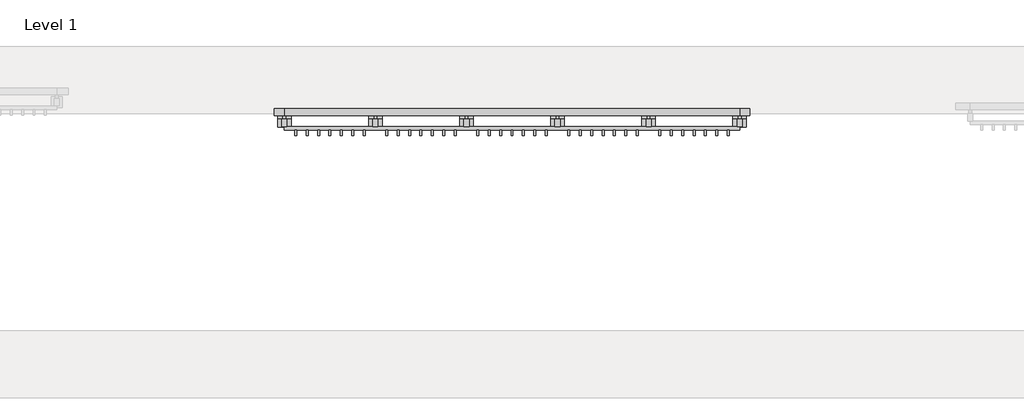
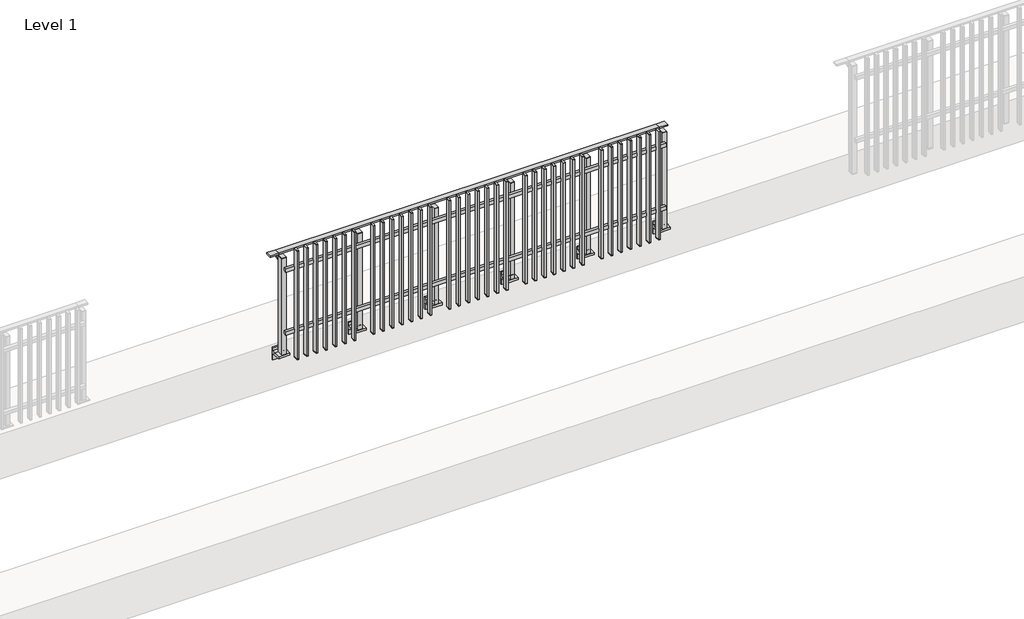
# One storey, part 14 of 17: 1 railing.
"""IFC4 building model written with IfcOpenShell, lengths in millimetres."""

from ifc_helpers import new_model, si_unit, point, frame, frame_2d, origin, place, context, project, spatial, polyline, circle_curve, trimmed, segment, composite_curve, outline, extrude, faceted_brep, element, save

model = new_model("IFC4")

# Units and contexts
model_context = context("Model", 3, world=origin())
ifc_project = project(units=[si_unit("LENGTHUNIT", "METRE", prefix="MILLI")], contexts=[model_context])

# Site, building, storey
site = spatial("IfcSite", under=ifc_project)
building = spatial("IfcBuilding", under=site)
storey = spatial("IfcBuildingStorey", under=building, Name="Level 1", Elevation=0.0)

# Railing
placement = place(None, origin())
element("IfcRailing", 1, at=placement, inside=storey, context=model_context, shape_type="SolidModel", body=[
    faceted_brep([(11910.0, 7442.6846828, 1000.0), (11910.0, 7442.6846828, 985.0), (11910.0, 7382.6846828, 985.0), (11910.0, 7382.6846828, 1000.0), (12000.0, 7442.6846828, 1000.0), (12000.0, 7442.6846828, 985.0), (12000.0, 7382.6846828, 985.0), (12000.0, 7382.6846828, 1000.0), (16000.0, 7442.6846828, 1000.0), (16000.0, 7442.6846828, 985.0), (16000.0, 7382.6846828, 985.0), (16000.0, 7382.6846828, 1000.0), (16090.0, 7442.6846828, 1000.0), (16090.0, 7382.6846828, 1000.0), (16090.0, 7382.6846828, 985.0), (16090.0, 7442.6846828, 985.0)], [[[0, 1, 2, 3]], [[1, 0, 4, 5]], [[2, 1, 5, 6]], [[3, 2, 6, 7]], [[0, 3, 7, 4]], [[5, 4, 8, 9]], [[6, 5, 9, 10]], [[7, 6, 10, 11]], [[4, 7, 11, 8]], [[12, 13, 14, 15]], [[9, 8, 12, 15]], [[10, 9, 15, 14]], [[11, 10, 14, 13]], [[8, 11, 13, 12]]]),
    extrude(outline(polyline([(12000.0, 7253.1846828), (12000.0, 7285.1846828), (16000.0, 7285.1846828), (16000.0, 7253.1846828), (12000.0, 7253.1846828)])), frame((0.0, 0.0, 164.0), z_axis=(0.0, 0.0, 1.0), x_axis=(1.0, 0.0, 0.0)), (0.0, 0.0, 1.0), 36.0),
    extrude(outline(polyline([(12000.0, 7253.1846828), (12000.0, 7285.1846828), (16000.0, 7285.1846828), (16000.0, 7253.1846828), (12000.0, 7253.1846828)])), frame((0.0, 0.0, 864.0), z_axis=(0.0, 0.0, 1.0), x_axis=(1.0, 0.0, 0.0)), (0.0, 0.0, 1.0), 36.0),
    extrude(outline(polyline([(15908.5, 7253.1846828), (15908.5, 7204.1846828), (15891.5, 7204.1846828), (15891.5, 7253.1846828), (15908.5, 7253.1846828)])), frame((0.0, 0.0, -110.0), z_axis=(0.0, 0.0, 1.0), x_axis=(1.0, 0.0, 0.0)), (0.0, 0.0, 1.0), 5.0),
    extrude(outline(polyline([(15908.5, 7253.1846828), (15908.5, 7204.1846828), (15891.5, 7204.1846828), (15891.5, 7253.1846828), (15908.5, 7253.1846828)])), frame((0.0, 0.0, 1095.0), z_axis=(0.0, 0.0, 1.0), x_axis=(1.0, 0.0, 0.0)), (0.0, 0.0, 1.0), 5.0),
    extrude(outline(polyline([(15891.5, 7204.1846828), (15891.5, 7253.1846828), (15908.5, 7253.1846828), (15908.5, 7204.1846828), (15891.5, 7204.1846828)])), frame((0.0, 0.0, -105.0), z_axis=(0.0, 0.0, 1.0), x_axis=(1.0, 0.0, 0.0)), (0.0, 0.0, 1.0), 1200.0),
    extrude(outline(polyline([(15808.5, 7253.1846828), (15808.5, 7204.1846828), (15791.5, 7204.1846828), (15791.5, 7253.1846828), (15808.5, 7253.1846828)])), frame((0.0, 0.0, -110.0), z_axis=(0.0, 0.0, 1.0), x_axis=(1.0, 0.0, 0.0)), (0.0, 0.0, 1.0), 5.0),
    extrude(outline(polyline([(15808.5, 7253.1846828), (15808.5, 7204.1846828), (15791.5, 7204.1846828), (15791.5, 7253.1846828), (15808.5, 7253.1846828)])), frame((0.0, 0.0, 1095.0), z_axis=(0.0, 0.0, 1.0), x_axis=(1.0, 0.0, 0.0)), (0.0, 0.0, 1.0), 5.0),
    extrude(outline(polyline([(15791.5, 7204.1846828), (15791.5, 7253.1846828), (15808.5, 7253.1846828), (15808.5, 7204.1846828), (15791.5, 7204.1846828)])), frame((0.0, 0.0, -105.0), z_axis=(0.0, 0.0, 1.0), x_axis=(1.0, 0.0, 0.0)), (0.0, 0.0, 1.0), 1200.0),
    extrude(outline(polyline([(15708.5, 7253.1846828), (15708.5, 7204.1846828), (15691.5, 7204.1846828), (15691.5, 7253.1846828), (15708.5, 7253.1846828)])), frame((0.0, 0.0, -110.0), z_axis=(0.0, 0.0, 1.0), x_axis=(1.0, 0.0, 0.0)), (0.0, 0.0, 1.0), 5.0),
    extrude(outline(polyline([(15708.5, 7253.1846828), (15708.5, 7204.1846828), (15691.5, 7204.1846828), (15691.5, 7253.1846828), (15708.5, 7253.1846828)])), frame((0.0, 0.0, 1095.0), z_axis=(0.0, 0.0, 1.0), x_axis=(1.0, 0.0, 0.0)), (0.0, 0.0, 1.0), 5.0),
    extrude(outline(polyline([(15691.5, 7204.1846828), (15691.5, 7253.1846828), (15708.5, 7253.1846828), (15708.5, 7204.1846828), (15691.5, 7204.1846828)])), frame((0.0, 0.0, -105.0), z_axis=(0.0, 0.0, 1.0), x_axis=(1.0, 0.0, 0.0)), (0.0, 0.0, 1.0), 1200.0),
    extrude(outline(polyline([(15608.5, 7253.1846828), (15608.5, 7204.1846828), (15591.5, 7204.1846828), (15591.5, 7253.1846828), (15608.5, 7253.1846828)])), frame((0.0, 0.0, -110.0), z_axis=(0.0, 0.0, 1.0), x_axis=(1.0, 0.0, 0.0)), (0.0, 0.0, 1.0), 5.0),
    extrude(outline(polyline([(15608.5, 7253.1846828), (15608.5, 7204.1846828), (15591.5, 7204.1846828), (15591.5, 7253.1846828), (15608.5, 7253.1846828)])), frame((0.0, 0.0, 1095.0), z_axis=(0.0, 0.0, 1.0), x_axis=(1.0, 0.0, 0.0)), (0.0, 0.0, 1.0), 5.0),
    extrude(outline(polyline([(15591.5, 7204.1846828), (15591.5, 7253.1846828), (15608.5, 7253.1846828), (15608.5, 7204.1846828), (15591.5, 7204.1846828)])), frame((0.0, 0.0, -105.0), z_axis=(0.0, 0.0, 1.0), x_axis=(1.0, 0.0, 0.0)), (0.0, 0.0, 1.0), 1200.0),
    extrude(outline(polyline([(15508.5, 7253.1846828), (15508.5, 7204.1846828), (15491.5, 7204.1846828), (15491.5, 7253.1846828), (15508.5, 7253.1846828)])), frame((0.0, 0.0, -110.0), z_axis=(0.0, 0.0, 1.0), x_axis=(1.0, 0.0, 0.0)), (0.0, 0.0, 1.0), 5.0),
    extrude(outline(polyline([(15508.5, 7253.1846828), (15508.5, 7204.1846828), (15491.5, 7204.1846828), (15491.5, 7253.1846828), (15508.5, 7253.1846828)])), frame((0.0, 0.0, 1095.0), z_axis=(0.0, 0.0, 1.0), x_axis=(1.0, 0.0, 0.0)), (0.0, 0.0, 1.0), 5.0),
    extrude(outline(polyline([(15491.5, 7204.1846828), (15491.5, 7253.1846828), (15508.5, 7253.1846828), (15508.5, 7204.1846828), (15491.5, 7204.1846828)])), frame((0.0, 0.0, -105.0), z_axis=(0.0, 0.0, 1.0), x_axis=(1.0, 0.0, 0.0)), (0.0, 0.0, 1.0), 1200.0),
    extrude(outline(polyline([(15408.5, 7253.1846828), (15408.5, 7204.1846828), (15391.5, 7204.1846828), (15391.5, 7253.1846828), (15408.5, 7253.1846828)])), frame((0.0, 0.0, -110.0), z_axis=(0.0, 0.0, 1.0), x_axis=(1.0, 0.0, 0.0)), (0.0, 0.0, 1.0), 5.0),
    extrude(outline(polyline([(15408.5, 7253.1846828), (15408.5, 7204.1846828), (15391.5, 7204.1846828), (15391.5, 7253.1846828), (15408.5, 7253.1846828)])), frame((0.0, 0.0, 1095.0), z_axis=(0.0, 0.0, 1.0), x_axis=(1.0, 0.0, 0.0)), (0.0, 0.0, 1.0), 5.0),
    extrude(outline(polyline([(15391.5, 7204.1846828), (15391.5, 7253.1846828), (15408.5, 7253.1846828), (15408.5, 7204.1846828), (15391.5, 7204.1846828)])), frame((0.0, 0.0, -105.0), z_axis=(0.0, 0.0, 1.0), x_axis=(1.0, 0.0, 0.0)), (0.0, 0.0, 1.0), 1200.0),
    extrude(outline(polyline([(15308.5, 7253.1846828), (15308.5, 7204.1846828), (15291.5, 7204.1846828), (15291.5, 7253.1846828), (15308.5, 7253.1846828)])), frame((0.0, 0.0, -110.0), z_axis=(0.0, 0.0, 1.0), x_axis=(1.0, 0.0, 0.0)), (0.0, 0.0, 1.0), 5.0),
    extrude(outline(polyline([(15308.5, 7253.1846828), (15308.5, 7204.1846828), (15291.5, 7204.1846828), (15291.5, 7253.1846828), (15308.5, 7253.1846828)])), frame((0.0, 0.0, 1095.0), z_axis=(0.0, 0.0, 1.0), x_axis=(1.0, 0.0, 0.0)), (0.0, 0.0, 1.0), 5.0),
    extrude(outline(polyline([(15291.5, 7204.1846828), (15291.5, 7253.1846828), (15308.5, 7253.1846828), (15308.5, 7204.1846828), (15291.5, 7204.1846828)])), frame((0.0, 0.0, -105.0), z_axis=(0.0, 0.0, 1.0), x_axis=(1.0, 0.0, 0.0)), (0.0, 0.0, 1.0), 1200.0),
    extrude(outline(composite_curve([segment(polyline([(7438.1846828, 985.0), (7438.1846828, 960.900037)]), True, "CONTINUOUS"), segment(trimmed(circle_curve(frame_2d((7428.1846828, 960.900037)), 10.0), [point((7438.1846828, 960.900037))], [point((7430.7728733, 951.2407787))], False, "CARTESIAN"), True, "CONTINUOUS"), segment(polyline([(7430.7728733, 951.2407787), (7373.7244733, 935.9547061)]), True, "CONTINUOUS"), segment(trimmed(circle_curve(frame_2d((7376.3126638, 926.2954478)), 10.0), [point((7373.7244733, 935.9547061))], [point((7366.3982152, 927.6007097))], True, "CARTESIAN"), True, "CONTINUOUS"), segment(polyline([(7366.3982152, 927.6007097), (7361.791393, 892.6084214)]), True, "CONTINUOUS"), segment(trimmed(circle_curve(frame_2d((7358.8170584, 893.0)), 3.0), [point((7361.791393, 892.6084214))], [point((7358.8170584, 890.0))], False, "CARTESIAN"), True, "CONTINUOUS"), segment(polyline([(7358.8170584, 890.0), (7350.1846828, 890.0), (7350.1846828, 940.0), (7414.1846828, 957.1487483), (7414.1846828, 985.0), (7438.1846828, 985.0)]), True, "CONTINUOUS")], self_intersect=False)), frame((15187.5, 0.0, 0.0), z_axis=(1.0, 0.0, 0.0), x_axis=(0.0, 1.0, 0.0)), (0.0, 0.0, 1.0), 25.0),
    extrude(outline(composite_curve([segment(polyline([(7350.1846828, -70.0), (7384.1846828, -63.0), (7384.1846828, -32.5), (7400.1846828, -32.5), (7400.1846828, -167.5), (7384.1846828, -167.5), (7384.1846828, -113.5)]), True, "CONTINUOUS"), segment(trimmed(circle_curve(frame_2d((7364.1846828, -113.5)), 20.0), [point((7384.1846828, -113.5))], [point((7364.1846828, -93.5))], True, "CARTESIAN"), True, "CONTINUOUS"), segment(polyline([(7364.1846828, -93.5), (7280.1846828, -93.5), (7280.1846828, -70.0), (7350.1846828, -70.0)]), True, "CONTINUOUS")], self_intersect=False)), frame((15140.0, 0.0, 0.0), z_axis=(1.0, 0.0, 0.0), x_axis=(0.0, 1.0, 0.0)), (0.0, 0.0, 1.0), 120.0),
    extrude(outline(polyline([(15222.5, 7350.1846828), (15222.5, 7285.1846828), (15177.5, 7285.1846828), (15177.5, 7350.1846828), (15222.5, 7350.1846828)])), frame((0.0, 0.0, -70.0), z_axis=(0.0, 0.0, 1.0), x_axis=(1.0, 0.0, 0.0)), (0.0, 0.0, 1.0), 1070.0),
    extrude(outline(polyline([(15222.5, 7350.1846828), (15222.5, 7285.1846828), (15177.5, 7285.1846828), (15177.5, 7350.1846828), (15222.5, 7350.1846828)])), frame((0.0, 0.0, 1000.0), z_axis=(0.0, 0.0, 1.0), x_axis=(1.0, 0.0, 0.0)), (0.0, 0.0, 1.0), 5.0),
    extrude(outline(polyline([(15108.5, 7253.1846828), (15108.5, 7204.1846828), (15091.5, 7204.1846828), (15091.5, 7253.1846828), (15108.5, 7253.1846828)])), frame((0.0, 0.0, -110.0), z_axis=(0.0, 0.0, 1.0), x_axis=(1.0, 0.0, 0.0)), (0.0, 0.0, 1.0), 5.0),
    extrude(outline(polyline([(15108.5, 7253.1846828), (15108.5, 7204.1846828), (15091.5, 7204.1846828), (15091.5, 7253.1846828), (15108.5, 7253.1846828)])), frame((0.0, 0.0, 1095.0), z_axis=(0.0, 0.0, 1.0), x_axis=(1.0, 0.0, 0.0)), (0.0, 0.0, 1.0), 5.0),
    extrude(outline(polyline([(15091.5, 7204.1846828), (15091.5, 7253.1846828), (15108.5, 7253.1846828), (15108.5, 7204.1846828), (15091.5, 7204.1846828)])), frame((0.0, 0.0, -105.0), z_axis=(0.0, 0.0, 1.0), x_axis=(1.0, 0.0, 0.0)), (0.0, 0.0, 1.0), 1200.0),
    extrude(outline(polyline([(15008.5, 7253.1846828), (15008.5, 7204.1846828), (14991.5, 7204.1846828), (14991.5, 7253.1846828), (15008.5, 7253.1846828)])), frame((0.0, 0.0, -110.0), z_axis=(0.0, 0.0, 1.0), x_axis=(1.0, 0.0, 0.0)), (0.0, 0.0, 1.0), 5.0),
    extrude(outline(polyline([(15008.5, 7253.1846828), (15008.5, 7204.1846828), (14991.5, 7204.1846828), (14991.5, 7253.1846828), (15008.5, 7253.1846828)])), frame((0.0, 0.0, 1095.0), z_axis=(0.0, 0.0, 1.0), x_axis=(1.0, 0.0, 0.0)), (0.0, 0.0, 1.0), 5.0),
    extrude(outline(polyline([(14991.5, 7204.1846828), (14991.5, 7253.1846828), (15008.5, 7253.1846828), (15008.5, 7204.1846828), (14991.5, 7204.1846828)])), frame((0.0, 0.0, -105.0), z_axis=(0.0, 0.0, 1.0), x_axis=(1.0, 0.0, 0.0)), (0.0, 0.0, 1.0), 1200.0),
    extrude(outline(polyline([(14908.5, 7253.1846828), (14908.5, 7204.1846828), (14891.5, 7204.1846828), (14891.5, 7253.1846828), (14908.5, 7253.1846828)])), frame((0.0, 0.0, -110.0), z_axis=(0.0, 0.0, 1.0), x_axis=(1.0, 0.0, 0.0)), (0.0, 0.0, 1.0), 5.0),
    extrude(outline(polyline([(14908.5, 7253.1846828), (14908.5, 7204.1846828), (14891.5, 7204.1846828), (14891.5, 7253.1846828), (14908.5, 7253.1846828)])), frame((0.0, 0.0, 1095.0), z_axis=(0.0, 0.0, 1.0), x_axis=(1.0, 0.0, 0.0)), (0.0, 0.0, 1.0), 5.0),
    extrude(outline(polyline([(14891.5, 7204.1846828), (14891.5, 7253.1846828), (14908.5, 7253.1846828), (14908.5, 7204.1846828), (14891.5, 7204.1846828)])), frame((0.0, 0.0, -105.0), z_axis=(0.0, 0.0, 1.0), x_axis=(1.0, 0.0, 0.0)), (0.0, 0.0, 1.0), 1200.0),
    extrude(outline(polyline([(14808.5, 7253.1846828), (14808.5, 7204.1846828), (14791.5, 7204.1846828), (14791.5, 7253.1846828), (14808.5, 7253.1846828)])), frame((0.0, 0.0, -110.0), z_axis=(0.0, 0.0, 1.0), x_axis=(1.0, 0.0, 0.0)), (0.0, 0.0, 1.0), 5.0),
    extrude(outline(polyline([(14808.5, 7253.1846828), (14808.5, 7204.1846828), (14791.5, 7204.1846828), (14791.5, 7253.1846828), (14808.5, 7253.1846828)])), frame((0.0, 0.0, 1095.0), z_axis=(0.0, 0.0, 1.0), x_axis=(1.0, 0.0, 0.0)), (0.0, 0.0, 1.0), 5.0),
    extrude(outline(polyline([(14791.5, 7204.1846828), (14791.5, 7253.1846828), (14808.5, 7253.1846828), (14808.5, 7204.1846828), (14791.5, 7204.1846828)])), frame((0.0, 0.0, -105.0), z_axis=(0.0, 0.0, 1.0), x_axis=(1.0, 0.0, 0.0)), (0.0, 0.0, 1.0), 1200.0),
    extrude(outline(polyline([(14708.5, 7253.1846828), (14708.5, 7204.1846828), (14691.5, 7204.1846828), (14691.5, 7253.1846828), (14708.5, 7253.1846828)])), frame((0.0, 0.0, -110.0), z_axis=(0.0, 0.0, 1.0), x_axis=(1.0, 0.0, 0.0)), (0.0, 0.0, 1.0), 5.0),
    extrude(outline(polyline([(14708.5, 7253.1846828), (14708.5, 7204.1846828), (14691.5, 7204.1846828), (14691.5, 7253.1846828), (14708.5, 7253.1846828)])), frame((0.0, 0.0, 1095.0), z_axis=(0.0, 0.0, 1.0), x_axis=(1.0, 0.0, 0.0)), (0.0, 0.0, 1.0), 5.0),
    extrude(outline(polyline([(14691.5, 7204.1846828), (14691.5, 7253.1846828), (14708.5, 7253.1846828), (14708.5, 7204.1846828), (14691.5, 7204.1846828)])), frame((0.0, 0.0, -105.0), z_axis=(0.0, 0.0, 1.0), x_axis=(1.0, 0.0, 0.0)), (0.0, 0.0, 1.0), 1200.0),
    extrude(outline(polyline([(14608.5, 7253.1846828), (14608.5, 7204.1846828), (14591.5, 7204.1846828), (14591.5, 7253.1846828), (14608.5, 7253.1846828)])), frame((0.0, 0.0, -110.0), z_axis=(0.0, 0.0, 1.0), x_axis=(1.0, 0.0, 0.0)), (0.0, 0.0, 1.0), 5.0),
    extrude(outline(polyline([(14608.5, 7253.1846828), (14608.5, 7204.1846828), (14591.5, 7204.1846828), (14591.5, 7253.1846828), (14608.5, 7253.1846828)])), frame((0.0, 0.0, 1095.0), z_axis=(0.0, 0.0, 1.0), x_axis=(1.0, 0.0, 0.0)), (0.0, 0.0, 1.0), 5.0),
    extrude(outline(polyline([(14591.5, 7204.1846828), (14591.5, 7253.1846828), (14608.5, 7253.1846828), (14608.5, 7204.1846828), (14591.5, 7204.1846828)])), frame((0.0, 0.0, -105.0), z_axis=(0.0, 0.0, 1.0), x_axis=(1.0, 0.0, 0.0)), (0.0, 0.0, 1.0), 1200.0),
    extrude(outline(polyline([(14508.5, 7253.1846828), (14508.5, 7204.1846828), (14491.5, 7204.1846828), (14491.5, 7253.1846828), (14508.5, 7253.1846828)])), frame((0.0, 0.0, -110.0), z_axis=(0.0, 0.0, 1.0), x_axis=(1.0, 0.0, 0.0)), (0.0, 0.0, 1.0), 5.0),
    extrude(outline(polyline([(14508.5, 7253.1846828), (14508.5, 7204.1846828), (14491.5, 7204.1846828), (14491.5, 7253.1846828), (14508.5, 7253.1846828)])), frame((0.0, 0.0, 1095.0), z_axis=(0.0, 0.0, 1.0), x_axis=(1.0, 0.0, 0.0)), (0.0, 0.0, 1.0), 5.0),
    extrude(outline(polyline([(14491.5, 7204.1846828), (14491.5, 7253.1846828), (14508.5, 7253.1846828), (14508.5, 7204.1846828), (14491.5, 7204.1846828)])), frame((0.0, 0.0, -105.0), z_axis=(0.0, 0.0, 1.0), x_axis=(1.0, 0.0, 0.0)), (0.0, 0.0, 1.0), 1200.0),
    extrude(outline(composite_curve([segment(polyline([(7438.1846828, 985.0), (7438.1846828, 960.900037)]), True, "CONTINUOUS"), segment(trimmed(circle_curve(frame_2d((7428.1846828, 960.900037)), 10.0), [point((7438.1846828, 960.900037))], [point((7430.7728733, 951.2407787))], False, "CARTESIAN"), True, "CONTINUOUS"), segment(polyline([(7430.7728733, 951.2407787), (7373.7244733, 935.9547061)]), True, "CONTINUOUS"), segment(trimmed(circle_curve(frame_2d((7376.3126638, 926.2954478)), 10.0), [point((7373.7244733, 935.9547061))], [point((7366.3982152, 927.6007097))], True, "CARTESIAN"), True, "CONTINUOUS"), segment(polyline([(7366.3982152, 927.6007097), (7361.791393, 892.6084214)]), True, "CONTINUOUS"), segment(trimmed(circle_curve(frame_2d((7358.8170584, 893.0)), 3.0), [point((7361.791393, 892.6084214))], [point((7358.8170584, 890.0))], False, "CARTESIAN"), True, "CONTINUOUS"), segment(polyline([(7358.8170584, 890.0), (7350.1846828, 890.0), (7350.1846828, 940.0), (7414.1846828, 957.1487483), (7414.1846828, 985.0), (7438.1846828, 985.0)]), True, "CONTINUOUS")], self_intersect=False)), frame((14387.5, 0.0, 0.0), z_axis=(1.0, 0.0, 0.0), x_axis=(0.0, 1.0, 0.0)), (0.0, 0.0, 1.0), 25.0),
    extrude(outline(composite_curve([segment(polyline([(7350.1846828, -70.0), (7384.1846828, -63.0), (7384.1846828, -32.5), (7400.1846828, -32.5), (7400.1846828, -167.5), (7384.1846828, -167.5), (7384.1846828, -113.5)]), True, "CONTINUOUS"), segment(trimmed(circle_curve(frame_2d((7364.1846828, -113.5)), 20.0), [point((7384.1846828, -113.5))], [point((7364.1846828, -93.5))], True, "CARTESIAN"), True, "CONTINUOUS"), segment(polyline([(7364.1846828, -93.5), (7280.1846828, -93.5), (7280.1846828, -70.0), (7350.1846828, -70.0)]), True, "CONTINUOUS")], self_intersect=False)), frame((14340.0, 0.0, 0.0), z_axis=(1.0, 0.0, 0.0), x_axis=(0.0, 1.0, 0.0)), (0.0, 0.0, 1.0), 120.0),
    extrude(outline(polyline([(14422.5, 7350.1846828), (14422.5, 7285.1846828), (14377.5, 7285.1846828), (14377.5, 7350.1846828), (14422.5, 7350.1846828)])), frame((0.0, 0.0, -70.0), z_axis=(0.0, 0.0, 1.0), x_axis=(1.0, 0.0, 0.0)), (0.0, 0.0, 1.0), 1070.0),
    extrude(outline(polyline([(14422.5, 7350.1846828), (14422.5, 7285.1846828), (14377.5, 7285.1846828), (14377.5, 7350.1846828), (14422.5, 7350.1846828)])), frame((0.0, 0.0, 1000.0), z_axis=(0.0, 0.0, 1.0), x_axis=(1.0, 0.0, 0.0)), (0.0, 0.0, 1.0), 5.0),
    extrude(outline(polyline([(14308.5, 7253.1846828), (14308.5, 7204.1846828), (14291.5, 7204.1846828), (14291.5, 7253.1846828), (14308.5, 7253.1846828)])), frame((0.0, 0.0, -110.0), z_axis=(0.0, 0.0, 1.0), x_axis=(1.0, 0.0, 0.0)), (0.0, 0.0, 1.0), 5.0),
    extrude(outline(polyline([(14308.5, 7253.1846828), (14308.5, 7204.1846828), (14291.5, 7204.1846828), (14291.5, 7253.1846828), (14308.5, 7253.1846828)])), frame((0.0, 0.0, 1095.0), z_axis=(0.0, 0.0, 1.0), x_axis=(1.0, 0.0, 0.0)), (0.0, 0.0, 1.0), 5.0),
    extrude(outline(polyline([(14291.5, 7204.1846828), (14291.5, 7253.1846828), (14308.5, 7253.1846828), (14308.5, 7204.1846828), (14291.5, 7204.1846828)])), frame((0.0, 0.0, -105.0), z_axis=(0.0, 0.0, 1.0), x_axis=(1.0, 0.0, 0.0)), (0.0, 0.0, 1.0), 1200.0),
    extrude(outline(polyline([(14208.5, 7253.1846828), (14208.5, 7204.1846828), (14191.5, 7204.1846828), (14191.5, 7253.1846828), (14208.5, 7253.1846828)])), frame((0.0, 0.0, -110.0), z_axis=(0.0, 0.0, 1.0), x_axis=(1.0, 0.0, 0.0)), (0.0, 0.0, 1.0), 5.0),
    extrude(outline(polyline([(14208.5, 7253.1846828), (14208.5, 7204.1846828), (14191.5, 7204.1846828), (14191.5, 7253.1846828), (14208.5, 7253.1846828)])), frame((0.0, 0.0, 1095.0), z_axis=(0.0, 0.0, 1.0), x_axis=(1.0, 0.0, 0.0)), (0.0, 0.0, 1.0), 5.0),
    extrude(outline(polyline([(14191.5, 7204.1846828), (14191.5, 7253.1846828), (14208.5, 7253.1846828), (14208.5, 7204.1846828), (14191.5, 7204.1846828)])), frame((0.0, 0.0, -105.0), z_axis=(0.0, 0.0, 1.0), x_axis=(1.0, 0.0, 0.0)), (0.0, 0.0, 1.0), 1200.0),
    extrude(outline(polyline([(14108.5, 7253.1846828), (14108.5, 7204.1846828), (14091.5, 7204.1846828), (14091.5, 7253.1846828), (14108.5, 7253.1846828)])), frame((0.0, 0.0, -110.0), z_axis=(0.0, 0.0, 1.0), x_axis=(1.0, 0.0, 0.0)), (0.0, 0.0, 1.0), 5.0),
    extrude(outline(polyline([(14108.5, 7253.1846828), (14108.5, 7204.1846828), (14091.5, 7204.1846828), (14091.5, 7253.1846828), (14108.5, 7253.1846828)])), frame((0.0, 0.0, 1095.0), z_axis=(0.0, 0.0, 1.0), x_axis=(1.0, 0.0, 0.0)), (0.0, 0.0, 1.0), 5.0),
    extrude(outline(polyline([(14091.5, 7204.1846828), (14091.5, 7253.1846828), (14108.5, 7253.1846828), (14108.5, 7204.1846828), (14091.5, 7204.1846828)])), frame((0.0, 0.0, -105.0), z_axis=(0.0, 0.0, 1.0), x_axis=(1.0, 0.0, 0.0)), (0.0, 0.0, 1.0), 1200.0),
    extrude(outline(polyline([(14008.5, 7253.1846828), (14008.5, 7204.1846828), (13991.5, 7204.1846828), (13991.5, 7253.1846828), (14008.5, 7253.1846828)])), frame((0.0, 0.0, -110.0), z_axis=(0.0, 0.0, 1.0), x_axis=(1.0, 0.0, 0.0)), (0.0, 0.0, 1.0), 5.0),
    extrude(outline(polyline([(14008.5, 7253.1846828), (14008.5, 7204.1846828), (13991.5, 7204.1846828), (13991.5, 7253.1846828), (14008.5, 7253.1846828)])), frame((0.0, 0.0, 1095.0), z_axis=(0.0, 0.0, 1.0), x_axis=(1.0, 0.0, 0.0)), (0.0, 0.0, 1.0), 5.0),
    extrude(outline(polyline([(13991.5, 7204.1846828), (13991.5, 7253.1846828), (14008.5, 7253.1846828), (14008.5, 7204.1846828), (13991.5, 7204.1846828)])), frame((0.0, 0.0, -105.0), z_axis=(0.0, 0.0, 1.0), x_axis=(1.0, 0.0, 0.0)), (0.0, 0.0, 1.0), 1200.0),
    extrude(outline(polyline([(13908.5, 7253.1846828), (13908.5, 7204.1846828), (13891.5, 7204.1846828), (13891.5, 7253.1846828), (13908.5, 7253.1846828)])), frame((0.0, 0.0, -110.0), z_axis=(0.0, 0.0, 1.0), x_axis=(1.0, 0.0, 0.0)), (0.0, 0.0, 1.0), 5.0),
    extrude(outline(polyline([(13908.5, 7253.1846828), (13908.5, 7204.1846828), (13891.5, 7204.1846828), (13891.5, 7253.1846828), (13908.5, 7253.1846828)])), frame((0.0, 0.0, 1095.0), z_axis=(0.0, 0.0, 1.0), x_axis=(1.0, 0.0, 0.0)), (0.0, 0.0, 1.0), 5.0),
    extrude(outline(polyline([(13891.5, 7204.1846828), (13891.5, 7253.1846828), (13908.5, 7253.1846828), (13908.5, 7204.1846828), (13891.5, 7204.1846828)])), frame((0.0, 0.0, -105.0), z_axis=(0.0, 0.0, 1.0), x_axis=(1.0, 0.0, 0.0)), (0.0, 0.0, 1.0), 1200.0),
    extrude(outline(polyline([(13808.5, 7253.1846828), (13808.5, 7204.1846828), (13791.5, 7204.1846828), (13791.5, 7253.1846828), (13808.5, 7253.1846828)])), frame((0.0, 0.0, -110.0), z_axis=(0.0, 0.0, 1.0), x_axis=(1.0, 0.0, 0.0)), (0.0, 0.0, 1.0), 5.0),
    extrude(outline(polyline([(13808.5, 7253.1846828), (13808.5, 7204.1846828), (13791.5, 7204.1846828), (13791.5, 7253.1846828), (13808.5, 7253.1846828)])), frame((0.0, 0.0, 1095.0), z_axis=(0.0, 0.0, 1.0), x_axis=(1.0, 0.0, 0.0)), (0.0, 0.0, 1.0), 5.0),
    extrude(outline(polyline([(13791.5, 7204.1846828), (13791.5, 7253.1846828), (13808.5, 7253.1846828), (13808.5, 7204.1846828), (13791.5, 7204.1846828)])), frame((0.0, 0.0, -105.0), z_axis=(0.0, 0.0, 1.0), x_axis=(1.0, 0.0, 0.0)), (0.0, 0.0, 1.0), 1200.0),
    extrude(outline(polyline([(13708.5, 7253.1846828), (13708.5, 7204.1846828), (13691.5, 7204.1846828), (13691.5, 7253.1846828), (13708.5, 7253.1846828)])), frame((0.0, 0.0, -110.0), z_axis=(0.0, 0.0, 1.0), x_axis=(1.0, 0.0, 0.0)), (0.0, 0.0, 1.0), 5.0),
    extrude(outline(polyline([(13708.5, 7253.1846828), (13708.5, 7204.1846828), (13691.5, 7204.1846828), (13691.5, 7253.1846828), (13708.5, 7253.1846828)])), frame((0.0, 0.0, 1095.0), z_axis=(0.0, 0.0, 1.0), x_axis=(1.0, 0.0, 0.0)), (0.0, 0.0, 1.0), 5.0),
    extrude(outline(polyline([(13691.5, 7204.1846828), (13691.5, 7253.1846828), (13708.5, 7253.1846828), (13708.5, 7204.1846828), (13691.5, 7204.1846828)])), frame((0.0, 0.0, -105.0), z_axis=(0.0, 0.0, 1.0), x_axis=(1.0, 0.0, 0.0)), (0.0, 0.0, 1.0), 1200.0),
    extrude(outline(composite_curve([segment(polyline([(7438.1846828, 985.0), (7438.1846828, 960.900037)]), True, "CONTINUOUS"), segment(trimmed(circle_curve(frame_2d((7428.1846828, 960.900037)), 10.0), [point((7438.1846828, 960.900037))], [point((7430.7728733, 951.2407787))], False, "CARTESIAN"), True, "CONTINUOUS"), segment(polyline([(7430.7728733, 951.2407787), (7373.7244733, 935.9547061)]), True, "CONTINUOUS"), segment(trimmed(circle_curve(frame_2d((7376.3126638, 926.2954478)), 10.0), [point((7373.7244733, 935.9547061))], [point((7366.3982152, 927.6007097))], True, "CARTESIAN"), True, "CONTINUOUS"), segment(polyline([(7366.3982152, 927.6007097), (7361.791393, 892.6084214)]), True, "CONTINUOUS"), segment(trimmed(circle_curve(frame_2d((7358.8170584, 893.0)), 3.0), [point((7361.791393, 892.6084214))], [point((7358.8170584, 890.0))], False, "CARTESIAN"), True, "CONTINUOUS"), segment(polyline([(7358.8170584, 890.0), (7350.1846828, 890.0), (7350.1846828, 940.0), (7414.1846828, 957.1487483), (7414.1846828, 985.0), (7438.1846828, 985.0)]), True, "CONTINUOUS")], self_intersect=False)), frame((13587.5, 0.0, 0.0), z_axis=(1.0, 0.0, 0.0), x_axis=(0.0, 1.0, 0.0)), (0.0, 0.0, 1.0), 25.0),
    extrude(outline(composite_curve([segment(polyline([(7350.1846828, -70.0), (7384.1846828, -63.0), (7384.1846828, -32.5), (7400.1846828, -32.5), (7400.1846828, -167.5), (7384.1846828, -167.5), (7384.1846828, -113.5)]), True, "CONTINUOUS"), segment(trimmed(circle_curve(frame_2d((7364.1846828, -113.5)), 20.0), [point((7384.1846828, -113.5))], [point((7364.1846828, -93.5))], True, "CARTESIAN"), True, "CONTINUOUS"), segment(polyline([(7364.1846828, -93.5), (7280.1846828, -93.5), (7280.1846828, -70.0), (7350.1846828, -70.0)]), True, "CONTINUOUS")], self_intersect=False)), frame((13540.0, 0.0, 0.0), z_axis=(1.0, 0.0, 0.0), x_axis=(0.0, 1.0, 0.0)), (0.0, 0.0, 1.0), 120.0),
    extrude(outline(polyline([(13622.5, 7350.1846828), (13622.5, 7285.1846828), (13577.5, 7285.1846828), (13577.5, 7350.1846828), (13622.5, 7350.1846828)])), frame((0.0, 0.0, -70.0), z_axis=(0.0, 0.0, 1.0), x_axis=(1.0, 0.0, 0.0)), (0.0, 0.0, 1.0), 1070.0),
    extrude(outline(polyline([(13622.5, 7350.1846828), (13622.5, 7285.1846828), (13577.5, 7285.1846828), (13577.5, 7350.1846828), (13622.5, 7350.1846828)])), frame((0.0, 0.0, 1000.0), z_axis=(0.0, 0.0, 1.0), x_axis=(1.0, 0.0, 0.0)), (0.0, 0.0, 1.0), 5.0),
    extrude(outline(polyline([(13508.5, 7253.1846828), (13508.5, 7204.1846828), (13491.5, 7204.1846828), (13491.5, 7253.1846828), (13508.5, 7253.1846828)])), frame((0.0, 0.0, -110.0), z_axis=(0.0, 0.0, 1.0), x_axis=(1.0, 0.0, 0.0)), (0.0, 0.0, 1.0), 5.0),
    extrude(outline(polyline([(13508.5, 7253.1846828), (13508.5, 7204.1846828), (13491.5, 7204.1846828), (13491.5, 7253.1846828), (13508.5, 7253.1846828)])), frame((0.0, 0.0, 1095.0), z_axis=(0.0, 0.0, 1.0), x_axis=(1.0, 0.0, 0.0)), (0.0, 0.0, 1.0), 5.0),
    extrude(outline(polyline([(13491.5, 7204.1846828), (13491.5, 7253.1846828), (13508.5, 7253.1846828), (13508.5, 7204.1846828), (13491.5, 7204.1846828)])), frame((0.0, 0.0, -105.0), z_axis=(0.0, 0.0, 1.0), x_axis=(1.0, 0.0, 0.0)), (0.0, 0.0, 1.0), 1200.0),
    extrude(outline(polyline([(13408.5, 7253.1846828), (13408.5, 7204.1846828), (13391.5, 7204.1846828), (13391.5, 7253.1846828), (13408.5, 7253.1846828)])), frame((0.0, 0.0, -110.0), z_axis=(0.0, 0.0, 1.0), x_axis=(1.0, 0.0, 0.0)), (0.0, 0.0, 1.0), 5.0),
    extrude(outline(polyline([(13408.5, 7253.1846828), (13408.5, 7204.1846828), (13391.5, 7204.1846828), (13391.5, 7253.1846828), (13408.5, 7253.1846828)])), frame((0.0, 0.0, 1095.0), z_axis=(0.0, 0.0, 1.0), x_axis=(1.0, 0.0, 0.0)), (0.0, 0.0, 1.0), 5.0),
    extrude(outline(polyline([(13391.5, 7204.1846828), (13391.5, 7253.1846828), (13408.5, 7253.1846828), (13408.5, 7204.1846828), (13391.5, 7204.1846828)])), frame((0.0, 0.0, -105.0), z_axis=(0.0, 0.0, 1.0), x_axis=(1.0, 0.0, 0.0)), (0.0, 0.0, 1.0), 1200.0),
    extrude(outline(polyline([(13308.5, 7253.1846828), (13308.5, 7204.1846828), (13291.5, 7204.1846828), (13291.5, 7253.1846828), (13308.5, 7253.1846828)])), frame((0.0, 0.0, -110.0), z_axis=(0.0, 0.0, 1.0), x_axis=(1.0, 0.0, 0.0)), (0.0, 0.0, 1.0), 5.0),
    extrude(outline(polyline([(13308.5, 7253.1846828), (13308.5, 7204.1846828), (13291.5, 7204.1846828), (13291.5, 7253.1846828), (13308.5, 7253.1846828)])), frame((0.0, 0.0, 1095.0), z_axis=(0.0, 0.0, 1.0), x_axis=(1.0, 0.0, 0.0)), (0.0, 0.0, 1.0), 5.0),
    extrude(outline(polyline([(13291.5, 7204.1846828), (13291.5, 7253.1846828), (13308.5, 7253.1846828), (13308.5, 7204.1846828), (13291.5, 7204.1846828)])), frame((0.0, 0.0, -105.0), z_axis=(0.0, 0.0, 1.0), x_axis=(1.0, 0.0, 0.0)), (0.0, 0.0, 1.0), 1200.0),
    extrude(outline(polyline([(13208.5, 7253.1846828), (13208.5, 7204.1846828), (13191.5, 7204.1846828), (13191.5, 7253.1846828), (13208.5, 7253.1846828)])), frame((0.0, 0.0, -110.0), z_axis=(0.0, 0.0, 1.0), x_axis=(1.0, 0.0, 0.0)), (0.0, 0.0, 1.0), 5.0),
    extrude(outline(polyline([(13208.5, 7253.1846828), (13208.5, 7204.1846828), (13191.5, 7204.1846828), (13191.5, 7253.1846828), (13208.5, 7253.1846828)])), frame((0.0, 0.0, 1095.0), z_axis=(0.0, 0.0, 1.0), x_axis=(1.0, 0.0, 0.0)), (0.0, 0.0, 1.0), 5.0),
    extrude(outline(polyline([(13191.5, 7204.1846828), (13191.5, 7253.1846828), (13208.5, 7253.1846828), (13208.5, 7204.1846828), (13191.5, 7204.1846828)])), frame((0.0, 0.0, -105.0), z_axis=(0.0, 0.0, 1.0), x_axis=(1.0, 0.0, 0.0)), (0.0, 0.0, 1.0), 1200.0),
    extrude(outline(polyline([(13108.5, 7253.1846828), (13108.5, 7204.1846828), (13091.5, 7204.1846828), (13091.5, 7253.1846828), (13108.5, 7253.1846828)])), frame((0.0, 0.0, -110.0), z_axis=(0.0, 0.0, 1.0), x_axis=(1.0, 0.0, 0.0)), (0.0, 0.0, 1.0), 5.0),
    extrude(outline(polyline([(13108.5, 7253.1846828), (13108.5, 7204.1846828), (13091.5, 7204.1846828), (13091.5, 7253.1846828), (13108.5, 7253.1846828)])), frame((0.0, 0.0, 1095.0), z_axis=(0.0, 0.0, 1.0), x_axis=(1.0, 0.0, 0.0)), (0.0, 0.0, 1.0), 5.0),
    extrude(outline(polyline([(13091.5, 7204.1846828), (13091.5, 7253.1846828), (13108.5, 7253.1846828), (13108.5, 7204.1846828), (13091.5, 7204.1846828)])), frame((0.0, 0.0, -105.0), z_axis=(0.0, 0.0, 1.0), x_axis=(1.0, 0.0, 0.0)), (0.0, 0.0, 1.0), 1200.0),
    extrude(outline(polyline([(13008.5, 7253.1846828), (13008.5, 7204.1846828), (12991.5, 7204.1846828), (12991.5, 7253.1846828), (13008.5, 7253.1846828)])), frame((0.0, 0.0, -110.0), z_axis=(0.0, 0.0, 1.0), x_axis=(1.0, 0.0, 0.0)), (0.0, 0.0, 1.0), 5.0),
    extrude(outline(polyline([(13008.5, 7253.1846828), (13008.5, 7204.1846828), (12991.5, 7204.1846828), (12991.5, 7253.1846828), (13008.5, 7253.1846828)])), frame((0.0, 0.0, 1095.0), z_axis=(0.0, 0.0, 1.0), x_axis=(1.0, 0.0, 0.0)), (0.0, 0.0, 1.0), 5.0),
    extrude(outline(polyline([(12991.5, 7204.1846828), (12991.5, 7253.1846828), (13008.5, 7253.1846828), (13008.5, 7204.1846828), (12991.5, 7204.1846828)])), frame((0.0, 0.0, -105.0), z_axis=(0.0, 0.0, 1.0), x_axis=(1.0, 0.0, 0.0)), (0.0, 0.0, 1.0), 1200.0),
    extrude(outline(polyline([(12908.5, 7253.1846828), (12908.5, 7204.1846828), (12891.5, 7204.1846828), (12891.5, 7253.1846828), (12908.5, 7253.1846828)])), frame((0.0, 0.0, -110.0), z_axis=(0.0, 0.0, 1.0), x_axis=(1.0, 0.0, 0.0)), (0.0, 0.0, 1.0), 5.0),
    extrude(outline(polyline([(12908.5, 7253.1846828), (12908.5, 7204.1846828), (12891.5, 7204.1846828), (12891.5, 7253.1846828), (12908.5, 7253.1846828)])), frame((0.0, 0.0, 1095.0), z_axis=(0.0, 0.0, 1.0), x_axis=(1.0, 0.0, 0.0)), (0.0, 0.0, 1.0), 5.0),
    extrude(outline(polyline([(12891.5, 7204.1846828), (12891.5, 7253.1846828), (12908.5, 7253.1846828), (12908.5, 7204.1846828), (12891.5, 7204.1846828)])), frame((0.0, 0.0, -105.0), z_axis=(0.0, 0.0, 1.0), x_axis=(1.0, 0.0, 0.0)), (0.0, 0.0, 1.0), 1200.0),
    extrude(outline(composite_curve([segment(polyline([(7438.1846828, 985.0), (7438.1846828, 960.900037)]), True, "CONTINUOUS"), segment(trimmed(circle_curve(frame_2d((7428.1846828, 960.900037)), 10.0), [point((7438.1846828, 960.900037))], [point((7430.7728733, 951.2407787))], False, "CARTESIAN"), True, "CONTINUOUS"), segment(polyline([(7430.7728733, 951.2407787), (7373.7244733, 935.9547061)]), True, "CONTINUOUS"), segment(trimmed(circle_curve(frame_2d((7376.3126638, 926.2954478)), 10.0), [point((7373.7244733, 935.9547061))], [point((7366.3982152, 927.6007097))], True, "CARTESIAN"), True, "CONTINUOUS"), segment(polyline([(7366.3982152, 927.6007097), (7361.791393, 892.6084214)]), True, "CONTINUOUS"), segment(trimmed(circle_curve(frame_2d((7358.8170584, 893.0)), 3.0), [point((7361.791393, 892.6084214))], [point((7358.8170584, 890.0))], False, "CARTESIAN"), True, "CONTINUOUS"), segment(polyline([(7358.8170584, 890.0), (7350.1846828, 890.0), (7350.1846828, 940.0), (7414.1846828, 957.1487483), (7414.1846828, 985.0), (7438.1846828, 985.0)]), True, "CONTINUOUS")], self_intersect=False)), frame((12787.5, 0.0, 0.0), z_axis=(1.0, 0.0, 0.0), x_axis=(0.0, 1.0, 0.0)), (0.0, 0.0, 1.0), 25.0),
    extrude(outline(composite_curve([segment(polyline([(7350.1846828, -70.0), (7384.1846828, -63.0), (7384.1846828, -32.5), (7400.1846828, -32.5), (7400.1846828, -167.5), (7384.1846828, -167.5), (7384.1846828, -113.5)]), True, "CONTINUOUS"), segment(trimmed(circle_curve(frame_2d((7364.1846828, -113.5)), 20.0), [point((7384.1846828, -113.5))], [point((7364.1846828, -93.5))], True, "CARTESIAN"), True, "CONTINUOUS"), segment(polyline([(7364.1846828, -93.5), (7280.1846828, -93.5), (7280.1846828, -70.0), (7350.1846828, -70.0)]), True, "CONTINUOUS")], self_intersect=False)), frame((12740.0, 0.0, 0.0), z_axis=(1.0, 0.0, 0.0), x_axis=(0.0, 1.0, 0.0)), (0.0, 0.0, 1.0), 120.0),
    extrude(outline(polyline([(12822.5, 7350.1846828), (12822.5, 7285.1846828), (12777.5, 7285.1846828), (12777.5, 7350.1846828), (12822.5, 7350.1846828)])), frame((0.0, 0.0, -70.0), z_axis=(0.0, 0.0, 1.0), x_axis=(1.0, 0.0, 0.0)), (0.0, 0.0, 1.0), 1070.0),
    extrude(outline(polyline([(12822.5, 7350.1846828), (12822.5, 7285.1846828), (12777.5, 7285.1846828), (12777.5, 7350.1846828), (12822.5, 7350.1846828)])), frame((0.0, 0.0, 1000.0), z_axis=(0.0, 0.0, 1.0), x_axis=(1.0, 0.0, 0.0)), (0.0, 0.0, 1.0), 5.0),
    extrude(outline(polyline([(12708.5, 7253.1846828), (12708.5, 7204.1846828), (12691.5, 7204.1846828), (12691.5, 7253.1846828), (12708.5, 7253.1846828)])), frame((0.0, 0.0, -110.0), z_axis=(0.0, 0.0, 1.0), x_axis=(1.0, 0.0, 0.0)), (0.0, 0.0, 1.0), 5.0),
    extrude(outline(polyline([(12708.5, 7253.1846828), (12708.5, 7204.1846828), (12691.5, 7204.1846828), (12691.5, 7253.1846828), (12708.5, 7253.1846828)])), frame((0.0, 0.0, 1095.0), z_axis=(0.0, 0.0, 1.0), x_axis=(1.0, 0.0, 0.0)), (0.0, 0.0, 1.0), 5.0),
    extrude(outline(polyline([(12691.5, 7204.1846828), (12691.5, 7253.1846828), (12708.5, 7253.1846828), (12708.5, 7204.1846828), (12691.5, 7204.1846828)])), frame((0.0, 0.0, -105.0), z_axis=(0.0, 0.0, 1.0), x_axis=(1.0, 0.0, 0.0)), (0.0, 0.0, 1.0), 1200.0),
    extrude(outline(polyline([(12608.5, 7253.1846828), (12608.5, 7204.1846828), (12591.5, 7204.1846828), (12591.5, 7253.1846828), (12608.5, 7253.1846828)])), frame((0.0, 0.0, -110.0), z_axis=(0.0, 0.0, 1.0), x_axis=(1.0, 0.0, 0.0)), (0.0, 0.0, 1.0), 5.0),
    extrude(outline(polyline([(12608.5, 7253.1846828), (12608.5, 7204.1846828), (12591.5, 7204.1846828), (12591.5, 7253.1846828), (12608.5, 7253.1846828)])), frame((0.0, 0.0, 1095.0), z_axis=(0.0, 0.0, 1.0), x_axis=(1.0, 0.0, 0.0)), (0.0, 0.0, 1.0), 5.0),
    extrude(outline(polyline([(12591.5, 7204.1846828), (12591.5, 7253.1846828), (12608.5, 7253.1846828), (12608.5, 7204.1846828), (12591.5, 7204.1846828)])), frame((0.0, 0.0, -105.0), z_axis=(0.0, 0.0, 1.0), x_axis=(1.0, 0.0, 0.0)), (0.0, 0.0, 1.0), 1200.0),
    extrude(outline(polyline([(12508.5, 7253.1846828), (12508.5, 7204.1846828), (12491.5, 7204.1846828), (12491.5, 7253.1846828), (12508.5, 7253.1846828)])), frame((0.0, 0.0, -110.0), z_axis=(0.0, 0.0, 1.0), x_axis=(1.0, 0.0, 0.0)), (0.0, 0.0, 1.0), 5.0),
    extrude(outline(polyline([(12508.5, 7253.1846828), (12508.5, 7204.1846828), (12491.5, 7204.1846828), (12491.5, 7253.1846828), (12508.5, 7253.1846828)])), frame((0.0, 0.0, 1095.0), z_axis=(0.0, 0.0, 1.0), x_axis=(1.0, 0.0, 0.0)), (0.0, 0.0, 1.0), 5.0),
    extrude(outline(polyline([(12491.5, 7204.1846828), (12491.5, 7253.1846828), (12508.5, 7253.1846828), (12508.5, 7204.1846828), (12491.5, 7204.1846828)])), frame((0.0, 0.0, -105.0), z_axis=(0.0, 0.0, 1.0), x_axis=(1.0, 0.0, 0.0)), (0.0, 0.0, 1.0), 1200.0),
    extrude(outline(polyline([(12408.5, 7253.1846828), (12408.5, 7204.1846828), (12391.5, 7204.1846828), (12391.5, 7253.1846828), (12408.5, 7253.1846828)])), frame((0.0, 0.0, -110.0), z_axis=(0.0, 0.0, 1.0), x_axis=(1.0, 0.0, 0.0)), (0.0, 0.0, 1.0), 5.0),
    extrude(outline(polyline([(12408.5, 7253.1846828), (12408.5, 7204.1846828), (12391.5, 7204.1846828), (12391.5, 7253.1846828), (12408.5, 7253.1846828)])), frame((0.0, 0.0, 1095.0), z_axis=(0.0, 0.0, 1.0), x_axis=(1.0, 0.0, 0.0)), (0.0, 0.0, 1.0), 5.0),
    extrude(outline(polyline([(12391.5, 7204.1846828), (12391.5, 7253.1846828), (12408.5, 7253.1846828), (12408.5, 7204.1846828), (12391.5, 7204.1846828)])), frame((0.0, 0.0, -105.0), z_axis=(0.0, 0.0, 1.0), x_axis=(1.0, 0.0, 0.0)), (0.0, 0.0, 1.0), 1200.0),
    extrude(outline(polyline([(12308.5, 7253.1846828), (12308.5, 7204.1846828), (12291.5, 7204.1846828), (12291.5, 7253.1846828), (12308.5, 7253.1846828)])), frame((0.0, 0.0, -110.0), z_axis=(0.0, 0.0, 1.0), x_axis=(1.0, 0.0, 0.0)), (0.0, 0.0, 1.0), 5.0),
    extrude(outline(polyline([(12308.5, 7253.1846828), (12308.5, 7204.1846828), (12291.5, 7204.1846828), (12291.5, 7253.1846828), (12308.5, 7253.1846828)])), frame((0.0, 0.0, 1095.0), z_axis=(0.0, 0.0, 1.0), x_axis=(1.0, 0.0, 0.0)), (0.0, 0.0, 1.0), 5.0),
    extrude(outline(polyline([(12291.5, 7204.1846828), (12291.5, 7253.1846828), (12308.5, 7253.1846828), (12308.5, 7204.1846828), (12291.5, 7204.1846828)])), frame((0.0, 0.0, -105.0), z_axis=(0.0, 0.0, 1.0), x_axis=(1.0, 0.0, 0.0)), (0.0, 0.0, 1.0), 1200.0),
    extrude(outline(polyline([(12208.5, 7253.1846828), (12208.5, 7204.1846828), (12191.5, 7204.1846828), (12191.5, 7253.1846828), (12208.5, 7253.1846828)])), frame((0.0, 0.0, -110.0), z_axis=(0.0, 0.0, 1.0), x_axis=(1.0, 0.0, 0.0)), (0.0, 0.0, 1.0), 5.0),
    extrude(outline(polyline([(12208.5, 7253.1846828), (12208.5, 7204.1846828), (12191.5, 7204.1846828), (12191.5, 7253.1846828), (12208.5, 7253.1846828)])), frame((0.0, 0.0, 1095.0), z_axis=(0.0, 0.0, 1.0), x_axis=(1.0, 0.0, 0.0)), (0.0, 0.0, 1.0), 5.0),
    extrude(outline(polyline([(12191.5, 7204.1846828), (12191.5, 7253.1846828), (12208.5, 7253.1846828), (12208.5, 7204.1846828), (12191.5, 7204.1846828)])), frame((0.0, 0.0, -105.0), z_axis=(0.0, 0.0, 1.0), x_axis=(1.0, 0.0, 0.0)), (0.0, 0.0, 1.0), 1200.0),
    extrude(outline(polyline([(12108.5, 7253.1846828), (12108.5, 7204.1846828), (12091.5, 7204.1846828), (12091.5, 7253.1846828), (12108.5, 7253.1846828)])), frame((0.0, 0.0, -110.0), z_axis=(0.0, 0.0, 1.0), x_axis=(1.0, 0.0, 0.0)), (0.0, 0.0, 1.0), 5.0),
    extrude(outline(polyline([(12108.5, 7253.1846828), (12108.5, 7204.1846828), (12091.5, 7204.1846828), (12091.5, 7253.1846828), (12108.5, 7253.1846828)])), frame((0.0, 0.0, 1095.0), z_axis=(0.0, 0.0, 1.0), x_axis=(1.0, 0.0, 0.0)), (0.0, 0.0, 1.0), 5.0),
    extrude(outline(polyline([(12091.5, 7204.1846828), (12091.5, 7253.1846828), (12108.5, 7253.1846828), (12108.5, 7204.1846828), (12091.5, 7204.1846828)])), frame((0.0, 0.0, -105.0), z_axis=(0.0, 0.0, 1.0), x_axis=(1.0, 0.0, 0.0)), (0.0, 0.0, 1.0), 1200.0),
    extrude(outline(composite_curve([segment(polyline([(7438.1846828, 985.0), (7438.1846828, 960.900037)]), True, "CONTINUOUS"), segment(trimmed(circle_curve(frame_2d((7428.1846828, 960.900037)), 10.0), [point((7438.1846828, 960.900037))], [point((7430.7728733, 951.2407787))], False, "CARTESIAN"), True, "CONTINUOUS"), segment(polyline([(7430.7728733, 951.2407787), (7373.7244733, 935.9547061)]), True, "CONTINUOUS"), segment(trimmed(circle_curve(frame_2d((7376.3126638, 926.2954478)), 10.0), [point((7373.7244733, 935.9547061))], [point((7366.3982152, 927.6007097))], True, "CARTESIAN"), True, "CONTINUOUS"), segment(polyline([(7366.3982152, 927.6007097), (7361.791393, 892.6084214)]), True, "CONTINUOUS"), segment(trimmed(circle_curve(frame_2d((7358.8170584, 893.0)), 3.0), [point((7361.791393, 892.6084214))], [point((7358.8170584, 890.0))], False, "CARTESIAN"), True, "CONTINUOUS"), segment(polyline([(7358.8170584, 890.0), (7350.1846828, 890.0), (7350.1846828, 940.0), (7414.1846828, 957.1487483), (7414.1846828, 985.0), (7438.1846828, 985.0)]), True, "CONTINUOUS")], self_intersect=False)), frame((15987.5, 0.0, 0.0), z_axis=(1.0, 0.0, 0.0), x_axis=(0.0, 1.0, 0.0)), (0.0, 0.0, 1.0), 25.0),
    extrude(outline(composite_curve([segment(polyline([(7350.1846828, -70.0), (7384.1846828, -63.0), (7384.1846828, -32.5), (7400.1846828, -32.5), (7400.1846828, -167.5), (7384.1846828, -167.5), (7384.1846828, -113.5)]), True, "CONTINUOUS"), segment(trimmed(circle_curve(frame_2d((7364.1846828, -113.5)), 20.0), [point((7384.1846828, -113.5))], [point((7364.1846828, -93.5))], True, "CARTESIAN"), True, "CONTINUOUS"), segment(polyline([(7364.1846828, -93.5), (7280.1846828, -93.5), (7280.1846828, -70.0), (7350.1846828, -70.0)]), True, "CONTINUOUS")], self_intersect=False)), frame((15940.0, 0.0, 0.0), z_axis=(1.0, 0.0, 0.0), x_axis=(0.0, 1.0, 0.0)), (0.0, 0.0, 1.0), 120.0),
    extrude(outline(polyline([(16022.5, 7350.1846828), (16022.5, 7285.1846828), (15977.5, 7285.1846828), (15977.5, 7350.1846828), (16022.5, 7350.1846828)])), frame((0.0, 0.0, -70.0), z_axis=(0.0, 0.0, 1.0), x_axis=(1.0, 0.0, 0.0)), (0.0, 0.0, 1.0), 1070.0),
    extrude(outline(polyline([(16022.5, 7350.1846828), (16022.5, 7285.1846828), (15977.5, 7285.1846828), (15977.5, 7350.1846828), (16022.5, 7350.1846828)])), frame((0.0, 0.0, 1000.0), z_axis=(0.0, 0.0, 1.0), x_axis=(1.0, 0.0, 0.0)), (0.0, 0.0, 1.0), 5.0),
    extrude(outline(composite_curve([segment(polyline([(7438.1846828, 985.0), (7438.1846828, 960.900037)]), True, "CONTINUOUS"), segment(trimmed(circle_curve(frame_2d((7428.1846828, 960.900037)), 10.0), [point((7438.1846828, 960.900037))], [point((7430.7728733, 951.2407787))], False, "CARTESIAN"), True, "CONTINUOUS"), segment(polyline([(7430.7728733, 951.2407787), (7373.7244733, 935.9547061)]), True, "CONTINUOUS"), segment(trimmed(circle_curve(frame_2d((7376.3126638, 926.2954478)), 10.0), [point((7373.7244733, 935.9547061))], [point((7366.3982152, 927.6007097))], True, "CARTESIAN"), True, "CONTINUOUS"), segment(polyline([(7366.3982152, 927.6007097), (7361.791393, 892.6084214)]), True, "CONTINUOUS"), segment(trimmed(circle_curve(frame_2d((7358.8170584, 893.0)), 3.0), [point((7361.791393, 892.6084214))], [point((7358.8170584, 890.0))], False, "CARTESIAN"), True, "CONTINUOUS"), segment(polyline([(7358.8170584, 890.0), (7350.1846828, 890.0), (7350.1846828, 940.0), (7414.1846828, 957.1487483), (7414.1846828, 985.0), (7438.1846828, 985.0)]), True, "CONTINUOUS")], self_intersect=False)), frame((11987.5, 0.0, 0.0), z_axis=(1.0, 0.0, 0.0), x_axis=(0.0, 1.0, 0.0)), (0.0, 0.0, 1.0), 25.0),
    extrude(outline(composite_curve([segment(polyline([(7350.1846828, -70.0), (7384.1846828, -63.0), (7384.1846828, -32.5), (7400.1846828, -32.5), (7400.1846828, -167.5), (7384.1846828, -167.5), (7384.1846828, -113.5)]), True, "CONTINUOUS"), segment(trimmed(circle_curve(frame_2d((7364.1846828, -113.5)), 20.0), [point((7384.1846828, -113.5))], [point((7364.1846828, -93.5))], True, "CARTESIAN"), True, "CONTINUOUS"), segment(polyline([(7364.1846828, -93.5), (7280.1846828, -93.5), (7280.1846828, -70.0), (7350.1846828, -70.0)]), True, "CONTINUOUS")], self_intersect=False)), frame((11940.0, 0.0, 0.0), z_axis=(1.0, 0.0, 0.0), x_axis=(0.0, 1.0, 0.0)), (0.0, 0.0, 1.0), 120.0),
    extrude(outline(polyline([(12022.5, 7350.1846828), (12022.5, 7285.1846828), (11977.5, 7285.1846828), (11977.5, 7350.1846828), (12022.5, 7350.1846828)])), frame((0.0, 0.0, -70.0), z_axis=(0.0, 0.0, 1.0), x_axis=(1.0, 0.0, 0.0)), (0.0, 0.0, 1.0), 1070.0),
    extrude(outline(polyline([(12022.5, 7350.1846828), (12022.5, 7285.1846828), (11977.5, 7285.1846828), (11977.5, 7350.1846828), (12022.5, 7350.1846828)])), frame((0.0, 0.0, 1000.0), z_axis=(0.0, 0.0, 1.0), x_axis=(1.0, 0.0, 0.0)), (0.0, 0.0, 1.0), 5.0),
])

save(model, "model.ifc")
